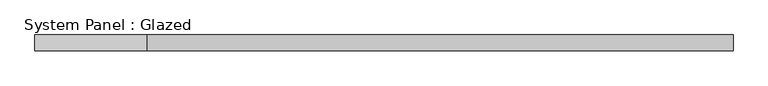
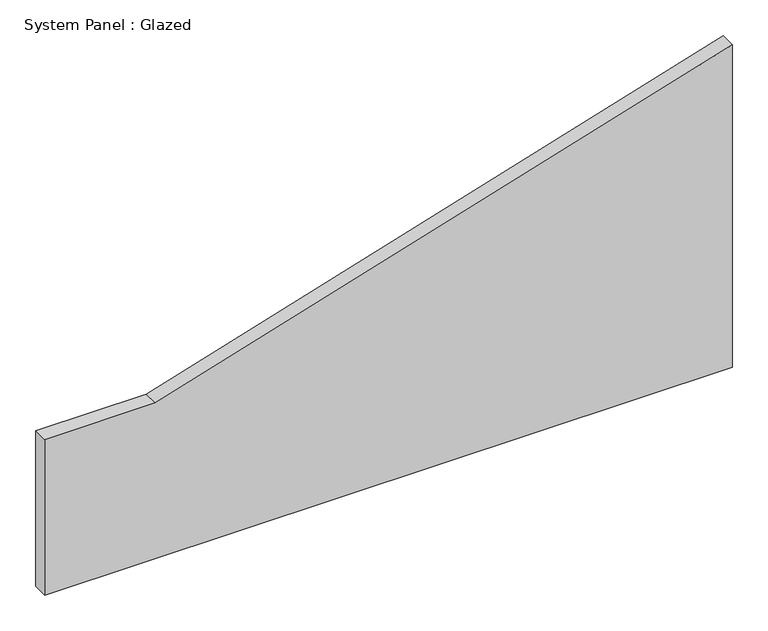
"""IFC4 building model written with IfcOpenShell, lengths in millimetres: plate geometry, System Panel : Glazed."""

from ifc_helpers import new_model, si_unit, frame, origin, place, context, project, spatial, polyline, outline, extrude, source, transform, mapped, element, save


def system_panel_glazed_edf74da5(model_context):
    return source(origin(), model_context, "Body", "SweptSolid", [
        extrude(outline(polyline([(0.0, -557.9813296), (0.0, 557.9813296), (553.8080379, 557.9813296), (266.758923, -378.2841515), (266.758923, -557.9813296), (0.0, -557.9813296)])), frame((0.0, 19.05, 0.0), z_axis=(0.0, 1.0, 0.0), x_axis=(0.0, 0.0, 1.0)), (0.0, 0.0, 1.0), 25.4),
    ])


if __name__ == "__main__":
    model = new_model("IFC4")
    model_context = context("Model", 3, world=origin())
    ifc_project = project(units=[si_unit("LENGTHUNIT", "METRE", prefix="MILLI")], contexts=[model_context])
    site = spatial("IfcSite", under=ifc_project)
    building = spatial("IfcBuilding", under=site)
    placement = place(None, origin())
    system_panel_glazed_shape = system_panel_glazed_edf74da5(model_context)
    element("IfcPlate", 1, ObjectType="System Panel : Glazed", at=placement, inside=building, context=model_context, shape_type="MappedRepresentation", body=[
        mapped(system_panel_glazed_shape, transform((0.0, 0.0, 0.0), x_axis=(1.0, 0.0, 0.0), y_axis=(0.0, 1.0, 0.0), z_axis=(0.0, 0.0, 1.0))),
    ])
    save(model, "model.ifc")
